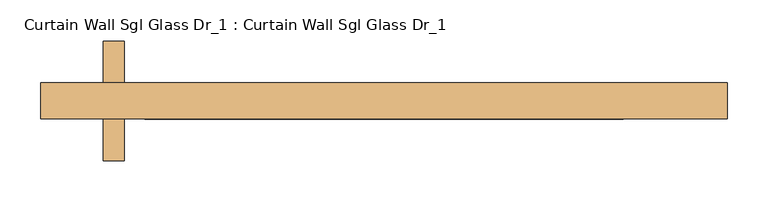
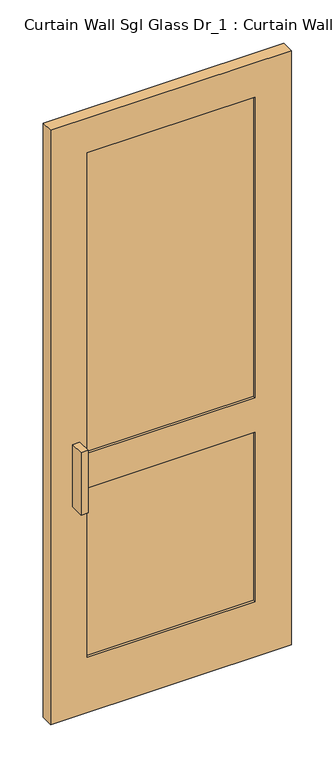
"""IFC4 building model written with IfcOpenShell, lengths in millimetres: door geometry, Curtain Wall Sgl Glass Dr_1 : Curtain Wall Sgl Glass Dr_1."""

from ifc_helpers import new_model, si_unit, frame, origin, place, context, project, spatial, polyline, outline, extrude, source, transform, mapped, element, save


def curtain_wall_sgl_glass_dr_1_curtain_wall_sgl_glass_dr_1_d5b95ebc(model_context):
    return source(origin(), model_context, "Body", "SweptSolid", [
        extrude(outline(polyline([(292.1, -41.275), (-292.1, -41.275), (-292.1, -15.875), (292.1, -15.875), (292.1, -41.275)])), frame((0.0, 0.0, 203.2), z_axis=(0.0, 0.0, 1.0), x_axis=(1.0, 0.0, 0.0)), (0.0, 0.0, 1.0), 622.3),
        extrude(outline(polyline([(292.1, -41.275), (-292.1, -41.275), (-292.1, -15.875), (292.1, -15.875), (292.1, -41.275)])), frame((0.0, 0.0, 952.5), z_axis=(0.0, 0.0, 1.0), x_axis=(1.0, 0.0, 0.0)), (0.0, 0.0, 1.0), 1104.9),
        extrude(outline(polyline([(2184.4, -419.1), (0.0, -419.1), (0.0, 419.1), (2184.4, 419.1), (2184.4, -419.1)]), holes=[polyline([(2057.4, 292.1), (952.5, 292.1), (952.5, -292.1), (2057.4, -292.1), (2057.4, 292.1)]), polyline([(825.5, 292.1), (203.2, 292.1), (203.2, -292.1), (825.5, -292.1), (825.5, 292.1)])]), frame((0.0, -50.8, 0.0), z_axis=(0.0, 1.0, 0.0), x_axis=(0.0, 0.0, 1.0)), (0.0, 0.0, 1.0), 44.45),
        extrude(outline(polyline([(-317.5, 44.45), (-317.5, -6.35), (-342.9, -6.35), (-342.9, 44.45), (-317.5, 44.45)])), frame((0.0, 0.0, 774.7), z_axis=(0.0, 0.0, 1.0), x_axis=(1.0, 0.0, 0.0)), (0.0, 0.0, 1.0), 228.6),
        extrude(outline(polyline([(-342.9, -101.6), (-342.9, -50.8), (-317.5, -50.8), (-317.5, -101.6), (-342.9, -101.6)])), frame((0.0, 0.0, 774.7), z_axis=(0.0, 0.0, 1.0), x_axis=(1.0, 0.0, 0.0)), (0.0, 0.0, 1.0), 228.6),
    ])


if __name__ == "__main__":
    model = new_model("IFC4")
    model_context = context("Model", 3, world=origin())
    ifc_project = project(units=[si_unit("LENGTHUNIT", "METRE", prefix="MILLI")], contexts=[model_context])
    site = spatial("IfcSite", under=ifc_project)
    building = spatial("IfcBuilding", under=site)
    placement = place(None, origin())
    curtain_wall_sgl_glass_dr_1_curtain_wall_sgl_glass_dr_1_shape = curtain_wall_sgl_glass_dr_1_curtain_wall_sgl_glass_dr_1_d5b95ebc(model_context)
    element("IfcDoor", 1, ObjectType="Curtain Wall Sgl Glass Dr_1 : Curtain Wall Sgl Glass Dr_1", at=placement, inside=building, context=model_context, shape_type="MappedRepresentation", body=[
        mapped(curtain_wall_sgl_glass_dr_1_curtain_wall_sgl_glass_dr_1_shape, transform((0.0, 0.0, 0.0), x_axis=(1.0, 0.0, 0.0), y_axis=(0.0, 1.0, 0.0), z_axis=(0.0, 0.0, 1.0))),
    ])
    save(model, "model.ifc")
